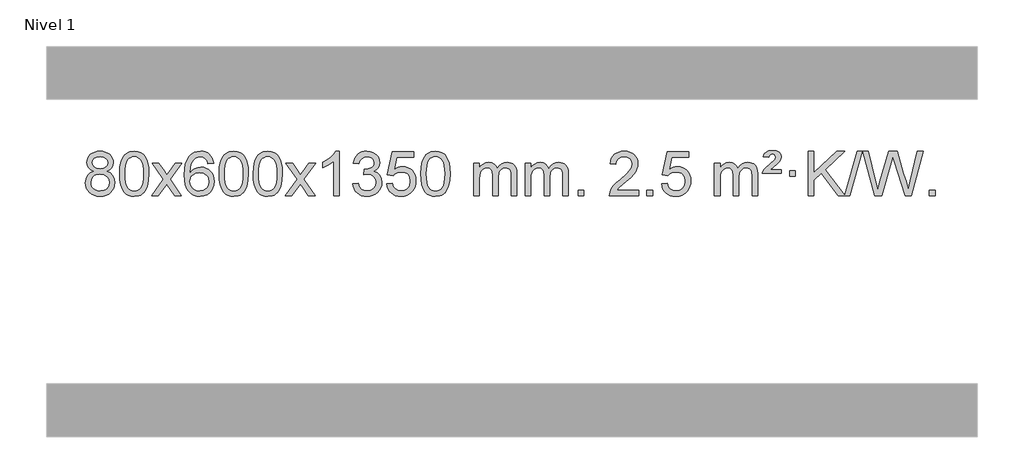
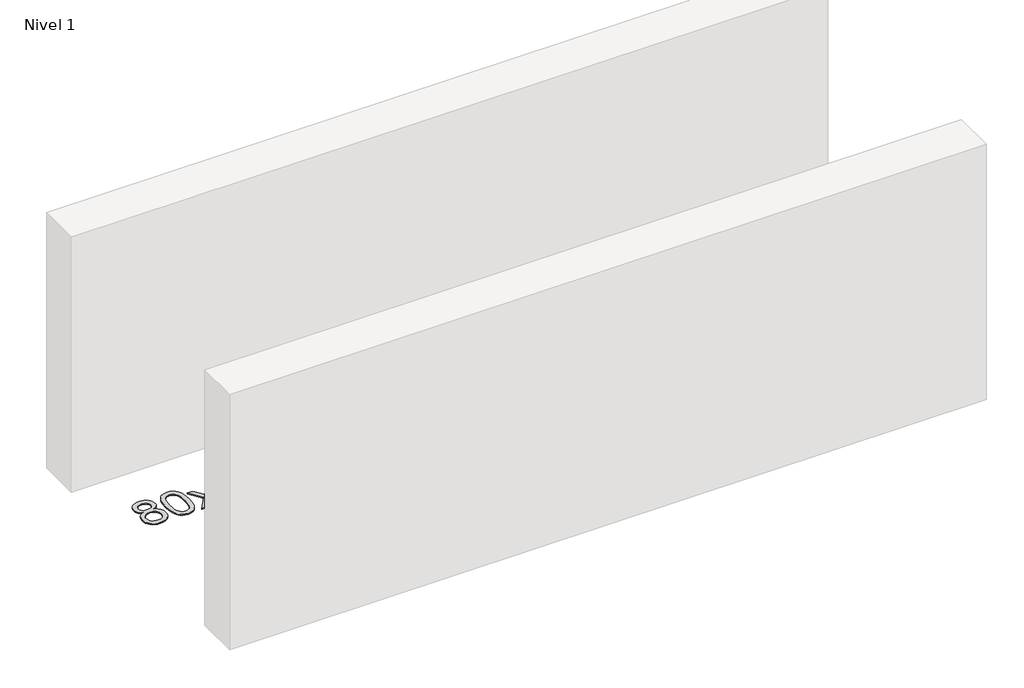
# One storey, part 12 of 15: 1 proxy.
"""IFC4 building model written with IfcOpenShell, lengths in millimetres."""

from ifc_helpers import new_model, si_unit, origin, origin_with_axes, place, context, project, spatial, polyline, outline, extrude, element, save

model = new_model("IFC4")

# Units and contexts
model_context = context("Model", 3, world=origin())
ifc_project = project(units=[si_unit("LENGTHUNIT", "METRE", prefix="MILLI")], contexts=[model_context])

# Site, building, storey
site = spatial("IfcSite", under=ifc_project)
building = spatial("IfcBuilding", under=site)
storey = spatial("IfcBuildingStorey", under=building, Name="Nivel 1", Elevation=0.0)

# Proxy
placement = place(None, origin())
element("IfcBuildingElementProxy", 1, Name="Texto de modelo 1", ObjectType="Texto de modelo 1", at=placement, inside=storey, context=model_context, shape_type="SweptSolid", body=[
    extrude(outline(polyline([(-25752.9663894, 2810.7383553), (-25779.8585632, 2823.9821071), (-25798.7309096, 2841.9347485), (-25809.877734, 2864.2283974), (-25813.5933422, 2890.4951719), (-25811.5699912, 2910.9800676), (-25805.4999383, 2929.7604435), (-25795.3831834, 2946.8362994), (-25781.2197266, 2962.2076355), (-25763.6901495, 2974.911827), (-25743.4750339, 2983.9862496), (-25720.5743797, 2989.4309031), (-25694.9881869, 2991.2457876), (-25669.2793668, 2989.3879835), (-25646.2070344, 2983.8145713), (-25625.7711895, 2974.5255509), (-25607.9718323, 2961.5209224), (-25593.5508581, 2945.8491494), (-25583.2501622, 2928.5586956), (-25577.0697447, 2909.6495611), (-25575.0096056, 2889.1217457), (-25578.6761628, 2863.7010999), (-25589.6758344, 2841.7875957), (-25608.1312479, 2823.9453189), (-25634.1650304, 2810.7383553), (-25603.2506801, 2794.8090649), (-25580.7485647, 2771.3504564), (-25567.0265663, 2741.4907011), (-25562.4525668, 2706.3579705), (-25564.7211724, 2681.3052067), (-25571.5269893, 2658.3371074), (-25582.8700175, 2637.4536728), (-25598.750257, 2618.6549029), (-25618.3338419, 2603.11802), (-25640.7869063, 2592.0202464), (-25666.1094503, 2585.3615823), (-25694.3014739, 2583.1420276), (-25722.4934974, 2585.3707794), (-25747.8160414, 2592.0570346), (-25770.2691059, 2603.2007934), (-25789.8526907, 2618.8020557), (-25805.7329302, 2637.73265), (-25817.0759584, 2658.864405), (-25823.8817753, 2682.1973205), (-25826.1503809, 2707.7313967), (-25821.3924405, 2744.2252906), (-25807.118619, 2774.2444614), (-25784.0646807, 2796.7588395), (-25752.9663894, 2810.7383553)]), holes=[polyline([(-25763.3651871, 2889.0236439), (-25758.9138149, 2867.097877), (-25745.5596985, 2849.586694), (-25723.6952453, 2838.1087757), (-25693.7128627, 2834.282803), (-25664.4294559, 2838.0842503), (-25642.8960964, 2849.4885921), (-25629.6523446, 2866.4111639), (-25625.2377606, 2886.767301), (-25629.7994974, 2907.8959902), (-25643.4847076, 2925.370385), (-25665.3123726, 2937.1058206), (-25694.3014739, 2941.0176325), (-25723.4745161, 2937.1916598), (-25745.2653929, 2925.7137415), (-25758.8402385, 2908.8892716), (-25763.3651871, 2889.0236439)]), polyline([(-25775.9222259, 2709.4972302), (-25773.8252985, 2690.2815274), (-25767.5345164, 2671.6789611), (-25755.9217081, 2655.4553651), (-25737.8587021, 2643.376573), (-25716.2272408, 2635.8717803), (-25693.9090664, 2633.3701827), (-25659.7205663, 2638.6308952), (-25645.8268896, 2645.2067859), (-25634.0669285, 2654.4130328), (-25618.0272735, 2678.3130998), (-25612.6807219, 2707.9276004), (-25618.1989518, 2738.0448731), (-25634.7536416, 2762.4722375), (-25646.8324337, 2771.9145421), (-25660.9958906, 2778.6590453), (-25695.5767981, 2784.0546479), (-25729.2870516, 2778.7326217), (-25743.0243784, 2772.080089), (-25754.683172, 2762.7665431), (-25770.6124624, 2738.8051625), (-25775.9222259, 2709.4972302)])]), origin_with_axes(), (0.0, 0.0, 1.0), 10.0),
    extrude(outline(polyline([(-25518.5029311, 2787.0958057), (-25514.8118484, 2851.4138412), (-25503.7386004, 2902.7088541), (-25485.3935515, 2941.7656593), (-25473.5354886, 2956.9990395), (-25459.8870665, 2969.3690716), (-25444.4023002, 2978.9401349), (-25427.0352044, 2985.7766086), (-25386.654024, 2991.2457876), (-25355.7028855, 2988.008426), (-25327.9891085, 2978.2963414), (-25304.8125428, 2962.4896783), (-25287.4730381, 2940.9685816), (-25274.3764391, 2913.9169922), (-25263.9285904, 2881.5188512), (-25257.0859853, 2840.3773814), (-25254.805117, 2787.0958057), (-25258.4594114, 2723.1456523), (-25269.4222949, 2671.9732667), (-25287.6569791, 2632.8796734), (-25299.487451, 2617.6003078), (-25313.1266759, 2605.1658964), (-25328.6298363, 2595.5304538), (-25346.0521145, 2588.6479948), (-25386.654024, 2583.1420276), (-25414.3187501, 2585.5332606), (-25438.8442164, 2592.7069595), (-25460.2304231, 2604.6631243), (-25478.47737, 2621.4017551), (-25495.988553, 2651.6600492), (-25508.4965408, 2689.3618224), (-25516.0013335, 2734.5070745), (-25518.5029311, 2787.0958057)]), holes=[polyline([(-25468.274776, 2787.1939076), (-25466.803248, 2743.5293805), (-25462.3886641, 2708.1851178), (-25455.0310242, 2681.1611196), (-25444.7303283, 2662.4573858), (-25432.2713914, 2649.7317344), (-25418.4390284, 2640.6419835), (-25403.2332393, 2635.1881329), (-25386.654024, 2633.3701827), (-25370.0748088, 2635.1942643), (-25354.8690196, 2640.6665089), (-25341.0366566, 2649.7869167), (-25328.5777197, 2662.5554876), (-25318.2770239, 2681.2898783), (-25310.919384, 2708.3077451), (-25306.5048, 2743.6090882), (-25305.033272, 2787.1939076), (-25306.4557491, 2829.7026722), (-25310.7231802, 2864.4246011), (-25317.8355655, 2891.3596945), (-25327.7929048, 2910.5079524), (-25340.0433752, 2923.8559375), (-25354.0351538, 2933.3902125), (-25369.7682404, 2939.1107775), (-25387.2426352, 2941.0176325), (-25403.7360113, 2939.3376381), (-25418.6842831, 2934.2976548), (-25432.0874504, 2925.8976825), (-25443.9455134, 2914.1377214), (-25454.5895658, 2893.291075), (-25462.1924604, 2865.1848906), (-25466.7541971, 2829.8191681), (-25468.274776, 2787.1939076)])]), origin_with_axes(), (0.0, 0.0, 1.0), 10.0),
    extrude(outline(polyline([(-25229.6910394, 2589.420547), (-25122.3675987, 2737.7505675), (-25223.41252, 2884.5109581), (-25162.981771, 2884.5109581), (-25114.2251439, 2813.877615), (-25091.4655111, 2780.5229808), (-25071.7470362, 2807.7952993), (-25016.2213804, 2884.5109581), (-24955.7906313, 2884.5109581), (-25061.9368496, 2737.7505675), (-24959.7147059, 2589.420547), (-25020.145455, 2589.420547), (-25081.6553246, 2678.5951426), (-25092.9370391, 2694.8800523), (-25169.2602903, 2589.420547), (-25229.6910394, 2589.420547)])), origin_with_axes(), (0.0, 0.0, 1.0), 10.0),
    extrude(outline(polyline([(-24670.9028142, 2884.5109581), (-24721.1309693, 2878.2324387), (-24729.2243732, 2903.125787), (-24740.1627312, 2920.1219352), (-24762.9468894, 2935.7937082), (-24790.4889881, 2941.0176325), (-24813.8372321, 2937.9764747), (-24835.8120499, 2928.8530012), (-24854.6843963, 2909.6372983), (-24870.0986519, 2883.1865829), (-24880.5097123, 2845.772984), (-24884.3724733, 2793.6686307), (-24864.2248027, 2817.1762902), (-24840.0794811, 2833.7432427), (-24813.2854091, 2843.565692), (-24785.1914874, 2846.8398418), (-24761.0584285, 2844.601893), (-24738.7893051, 2837.8880466), (-24718.3841171, 2826.6983025), (-24699.8428645, 2811.0326609), (-24684.4347403, 2791.8230894), (-24673.4289372, 2770.0015557), (-24666.8254554, 2745.5680599), (-24664.6242948, 2718.5226018), (-24668.7690986, 2682.5560055), (-24681.2035101, 2649.213634), (-24700.8974596, 2620.9357713), (-24726.8208775, 2600.1627013), (-24757.7965415, 2587.397196), (-24792.6472291, 2583.1420276), (-24822.5897579, 2585.9624563), (-24849.6321502, 2594.4237421), (-24873.7744061, 2608.5258853), (-24895.0165257, 2628.2688857), (-24912.3345706, 2654.4866092), (-24924.7046027, 2688.0129217), (-24932.1266219, 2728.8478232), (-24934.6006284, 2776.9913136), (-24931.8537761, 2830.9657337), (-24923.6132194, 2877.0306908), (-24909.8789583, 2915.1861851), (-24890.6509927, 2945.4322165), (-24869.8104776, 2965.4756538), (-24845.6467619, 2979.7923948), (-24818.1598455, 2988.3824394), (-24787.3497284, 2991.2457876), (-24764.2160823, 2989.4738227), (-24743.2774654, 2984.1579278), (-24724.5338777, 2975.2981031), (-24707.9853193, 2962.8943485), (-24694.0793799, 2947.3635969), (-24683.2636492, 2929.1227814), (-24675.5381274, 2908.1719017), (-24670.9028142, 2884.5109581)]), holes=[polyline([(-24884.3724733, 2719.3074168), (-24881.4662055, 2697.0505561), (-24872.7474022, 2675.7992395), (-24859.2093448, 2657.527767), (-24841.8453146, 2644.2104388), (-24820.8883036, 2636.0802467), (-24796.5713038, 2633.3701827), (-24763.425136, 2638.9865145), (-24749.5099995, 2646.0069292), (-24737.366828, 2655.8355099), (-24727.5167876, 2668.0737176), (-24720.4810444, 2682.3230135), (-24714.8524499, 2716.8548701), (-24720.407468, 2750.0010379), (-24727.3512407, 2763.6218688), (-24737.0725224, 2775.274531), (-24749.2524821, 2784.6095366), (-24763.5722888, 2791.2773978), (-24798.6314429, 2796.6116867), (-24831.7285598, 2791.2773978), (-24859.4055485, 2775.274531), (-24870.3285781, 2763.7751529), (-24878.1307421, 2750.6141746), (-24882.8120405, 2735.7915958), (-24884.3724733, 2719.3074168)])]), origin_with_axes(), (0.0, 0.0, 1.0), 10.0),
    extrude(outline(polyline([(-24620.6746591, 2787.0958057), (-24616.9835765, 2851.4138412), (-24605.9103284, 2902.7088541), (-24587.5652796, 2941.7656593), (-24575.7072166, 2956.9990395), (-24562.0587946, 2969.3690716), (-24546.5740283, 2978.9401349), (-24529.2069324, 2985.7766086), (-24488.8257521, 2991.2457876), (-24457.8746135, 2988.008426), (-24430.1608366, 2978.2963414), (-24406.9842709, 2962.4896783), (-24389.6447662, 2940.9685816), (-24376.5481671, 2913.9169922), (-24366.1003185, 2881.5188512), (-24359.2577134, 2840.3773814), (-24356.976845, 2787.0958057), (-24360.6311395, 2723.1456523), (-24371.5940229, 2671.9732667), (-24389.8287072, 2632.8796734), (-24401.659179, 2617.6003078), (-24415.298404, 2605.1658964), (-24430.8015644, 2595.5304538), (-24448.2238425, 2588.6479948), (-24488.8257521, 2583.1420276), (-24516.4904781, 2585.5332606), (-24541.0159444, 2592.7069595), (-24562.4021511, 2604.6631243), (-24580.6490981, 2621.4017551), (-24598.160281, 2651.6600492), (-24610.6682689, 2689.3618224), (-24618.1730616, 2734.5070745), (-24620.6746591, 2787.0958057)]), holes=[polyline([(-24570.4465041, 2787.1939076), (-24568.9749761, 2743.5293805), (-24564.5603921, 2708.1851178), (-24557.2027522, 2681.1611196), (-24546.9020564, 2662.4573858), (-24534.4431195, 2649.7317344), (-24520.6107564, 2640.6419835), (-24505.4049673, 2635.1881329), (-24488.8257521, 2633.3701827), (-24472.2465368, 2635.1942643), (-24457.0407477, 2640.6665089), (-24443.2083847, 2649.7869167), (-24430.7494478, 2662.5554876), (-24420.4487519, 2681.2898783), (-24413.091112, 2708.3077451), (-24408.676528, 2743.6090882), (-24407.2050001, 2787.1939076), (-24408.6274771, 2829.7026722), (-24412.8949083, 2864.4246011), (-24420.0072935, 2891.3596945), (-24429.9646328, 2910.5079524), (-24442.2151033, 2923.8559375), (-24456.2068818, 2933.3902125), (-24471.9399685, 2939.1107775), (-24489.4143633, 2941.0176325), (-24505.9077394, 2939.3376381), (-24520.8560111, 2934.2976548), (-24534.2591785, 2925.8976825), (-24546.1172414, 2914.1377214), (-24556.7612938, 2893.291075), (-24564.3641884, 2865.1848906), (-24568.9259251, 2829.8191681), (-24570.4465041, 2787.1939076)])]), origin_with_axes(), (0.0, 0.0, 1.0), 10.0),
    extrude(outline(polyline([(-24313.0272093, 2787.0958057), (-24309.3361266, 2851.4138412), (-24298.2628786, 2902.7088541), (-24279.9178297, 2941.7656593), (-24268.0597668, 2956.9990395), (-24254.4113447, 2969.3690716), (-24238.9265784, 2978.9401349), (-24221.5594826, 2985.7766086), (-24181.1783022, 2991.2457876), (-24150.2271637, 2988.008426), (-24122.5133867, 2978.2963414), (-24099.336821, 2962.4896783), (-24081.9973163, 2940.9685816), (-24068.9007173, 2913.9169922), (-24058.4528686, 2881.5188512), (-24051.6102635, 2840.3773814), (-24049.3293952, 2787.0958057), (-24052.9836896, 2723.1456523), (-24063.9465731, 2671.9732667), (-24082.1812573, 2632.8796734), (-24094.0117292, 2617.6003078), (-24107.6509541, 2605.1658964), (-24123.1541145, 2595.5304538), (-24140.5763927, 2588.6479948), (-24181.1783022, 2583.1420276), (-24208.8430283, 2585.5332606), (-24233.3684946, 2592.7069595), (-24254.7547013, 2604.6631243), (-24273.0016482, 2621.4017551), (-24290.5128312, 2651.6600492), (-24303.020819, 2689.3618224), (-24310.5256117, 2734.5070745), (-24313.0272093, 2787.0958057)]), holes=[polyline([(-24262.7990542, 2787.1939076), (-24261.3275262, 2743.5293805), (-24256.9129423, 2708.1851178), (-24249.5553024, 2681.1611196), (-24239.2546065, 2662.4573858), (-24226.7956696, 2649.7317344), (-24212.9633066, 2640.6419835), (-24197.7575175, 2635.1881329), (-24181.1783022, 2633.3701827), (-24164.599087, 2635.1942643), (-24149.3932978, 2640.6665089), (-24135.5609348, 2649.7869167), (-24123.1019979, 2662.5554876), (-24112.8013021, 2681.2898783), (-24105.4436622, 2708.3077451), (-24101.0290782, 2743.6090882), (-24099.5575502, 2787.1939076), (-24100.9800273, 2829.7026722), (-24105.2474584, 2864.4246011), (-24112.3598437, 2891.3596945), (-24122.317183, 2910.5079524), (-24134.5676534, 2923.8559375), (-24148.559432, 2933.3902125), (-24164.2925187, 2939.1107775), (-24181.7669134, 2941.0176325), (-24198.2602895, 2939.3376381), (-24213.2085613, 2934.2976548), (-24226.6117286, 2925.8976825), (-24238.4697916, 2914.1377214), (-24249.113844, 2893.291075), (-24256.7167386, 2865.1848906), (-24261.2784753, 2829.8191681), (-24262.7990542, 2787.1939076)])]), origin_with_axes(), (0.0, 0.0, 1.0), 10.0),
    extrude(outline(polyline([(-24024.2153176, 2589.420547), (-23916.8918769, 2737.7505675), (-24017.9367982, 2884.5109581), (-23957.5060492, 2884.5109581), (-23908.7494221, 2813.877615), (-23885.9897893, 2780.5229808), (-23866.2713144, 2807.7952993), (-23810.7456586, 2884.5109581), (-23750.3149095, 2884.5109581), (-23856.4611278, 2737.7505675), (-23754.2389841, 2589.420547), (-23814.6697332, 2589.420547), (-23876.1796028, 2678.5951426), (-23887.4613173, 2694.8800523), (-23963.7845685, 2589.420547), (-24024.2153176, 2589.420547)])), origin_with_axes(), (0.0, 0.0, 1.0), 10.0),
    extrude(outline(polyline([(-23534.4908056, 2589.420547), (-23584.7189607, 2589.420547), (-23584.7189607, 2902.5617013), (-23605.6882344, 2885.6023413), (-23632.2983654, 2868.6675068), (-23685.1752709, 2843.3081746), (-23685.1752709, 2890.7894775), (-23645.7260583, 2912.2492605), (-23611.5498209, 2937.780271), (-23584.6085961, 2964.9299622), (-23566.8644212, 2991.2457876), (-23534.4908056, 2991.2457876), (-23534.4908056, 2589.420547)])), origin_with_axes(), (0.0, 0.0, 1.0), 10.0),
    extrude(outline(polyline([(-23415.1989373, 2696.1553765), (-23364.9707823, 2702.4338959), (-23353.7258559, 2670.8696207), (-23337.2570053, 2649.5569905), (-23314.7548899, 2637.4168846), (-23285.4101694, 2633.3701827), (-23250.9764147, 2638.9374636), (-23236.7025933, 2645.8965646), (-23224.3908092, 2655.6393061), (-23207.394661, 2680.5571799), (-23201.7292783, 2710.7725545), (-23207.3456101, 2739.4550874), (-23224.1946054, 2762.7174922), (-23249.7010904, 2778.1317478), (-23281.2898911, 2783.269833), (-23316.5084608, 2777.7761285), (-23310.9166544, 2828.0042836), (-23302.8723015, 2827.4156724), (-23272.7795543, 2831.020916), (-23245.8751177, 2841.8366466), (-23234.8018696, 2850.0158897), (-23226.8924067, 2860.1326445), (-23222.146729, 2872.1869112), (-23220.5648364, 2886.1786898), (-23225.1510986, 2907.8714648), (-23238.9098853, 2925.4684869), (-23259.9036844, 2937.1303461), (-23286.1949844, 2941.0176325), (-23312.5353352, 2937.0935579), (-23334.0686947, 2925.3213341), (-23349.7895186, 2905.700961), (-23358.6922629, 2878.2324387), (-23408.920418, 2884.5109581), (-23402.966861, 2908.4907328), (-23394.1315618, 2929.6132907), (-23382.4145202, 2947.8786317), (-23367.8157364, 2963.286756), (-23350.7950627, 2975.5188323), (-23331.8123518, 2984.2560297), (-23310.8676035, 2989.4983481), (-23287.9608179, 2991.2457876), (-23256.38428, 2987.7999596), (-23227.3829161, 2977.4624755), (-23202.9310261, 2961.1530404), (-23185.0029102, 2939.7913592), (-23174.0032386, 2915.1800537), (-23170.3366814, 2889.1217457), (-23173.8192976, 2864.8415341), (-23184.2671462, 2842.8176653), (-23201.5330745, 2824.0556835), (-23225.4699297, 2809.5611329), (-23194.0282818, 2796.8569414), (-23170.7290888, 2775.22548), (-23156.3081146, 2745.8439714), (-23151.5011232, 2709.8896377), (-23153.9046189, 2684.4076782), (-23161.115106, 2660.9368069), (-23173.1325845, 2639.4770238), (-23189.9570544, 2620.028329), (-23210.4542129, 2603.8905722), (-23233.4897572, 2592.363603), (-23259.0636872, 2585.4474215), (-23287.176003, 2583.1420276), (-23312.5843862, 2585.1101963), (-23335.7364264, 2591.0147023), (-23356.6321237, 2600.8555457), (-23375.2714781, 2614.6327264), (-23390.9003316, 2631.5369041), (-23402.7645259, 2650.7587383), (-23410.8640612, 2672.2982292), (-23415.1989373, 2696.1553765)])), origin_with_axes(), (0.0, 0.0, 1.0), 10.0),
    extrude(outline(polyline([(-23107.5514875, 2696.1553765), (-23057.3233324, 2702.4338959), (-23048.1017571, 2672.2798351), (-23032.0130512, 2650.6851619), (-23009.1307911, 2637.6989275), (-22979.5285532, 2633.3701827), (-22960.3986894, 2634.8754332), (-22943.5251686, 2639.3911847), (-22928.9079907, 2646.9174372), (-22916.5471556, 2657.4541906), (-22906.718575, 2670.480279), (-22899.6981602, 2685.4745359), (-22894.0818284, 2721.3675559), (-22899.342541, 2755.1636486), (-22905.9184316, 2769.0818507), (-22915.1246786, 2781.0134901), (-22926.9919386, 2790.5845533), (-22941.5508686, 2797.4210271), (-22978.7437383, 2802.8902061), (-23003.1097891, 2800.7074396), (-23022.8405268, 2794.1591401), (-23038.5981389, 2784.1282243), (-23051.044813, 2771.4976092), (-23101.2729681, 2777.7761285), (-23057.3233324, 2984.9672682), (-22862.6892315, 2984.9672682), (-22862.6892315, 2934.7391131), (-23016.7091602, 2934.7391131), (-23038.1934687, 2824.080209), (-23020.4676879, 2836.7844006), (-23002.3127114, 2845.8588231), (-22983.7285393, 2851.3034766), (-22964.7151715, 2853.1183612), (-22940.2540845, 2850.8681496), (-22917.7856917, 2844.117515), (-22897.3099929, 2832.8664573), (-22878.8269884, 2817.1149766), (-22863.5261631, 2797.8256973), (-22852.5970021, 2775.961244), (-22846.0395056, 2751.5216168), (-22843.8536734, 2724.5068156), (-22845.821842, 2698.4852958), (-22851.7263481, 2674.2786606), (-22861.5671914, 2651.8869098), (-22875.3443722, 2631.3100435), (-22896.215544, 2610.2365366), (-22920.5693321, 2595.1840316), (-22948.4057364, 2586.1525286), (-22979.7247569, 2583.1420276), (-23005.6451092, 2585.0764738), (-23029.0577325, 2590.8798123), (-23049.9626268, 2600.552043), (-23068.3597923, 2614.0931662), (-23083.666749, 2630.8287312), (-23095.3010171, 2650.084288), (-23103.2625966, 2671.8598364), (-23107.5514875, 2696.1553765)])), origin_with_axes(), (0.0, 0.0, 1.0), 10.0),
    extrude(outline(polyline([(-22799.9040377, 2787.0958057), (-22796.212955, 2851.4138412), (-22785.1397069, 2902.7088541), (-22766.7946581, 2941.7656593), (-22754.9365951, 2956.9990395), (-22741.2881731, 2969.3690716), (-22725.8034068, 2978.9401349), (-22708.4363109, 2985.7766086), (-22668.0551306, 2991.2457876), (-22637.1039921, 2988.008426), (-22609.3902151, 2978.2963414), (-22586.2136494, 2962.4896783), (-22568.8741447, 2940.9685816), (-22555.7775457, 2913.9169922), (-22545.329697, 2881.5188512), (-22538.4870919, 2840.3773814), (-22536.2062235, 2787.0958057), (-22539.860518, 2723.1456523), (-22550.8234015, 2671.9732667), (-22569.0580857, 2632.8796734), (-22580.8885575, 2617.6003078), (-22594.5277825, 2605.1658964), (-22610.0309429, 2595.5304538), (-22627.4532211, 2588.6479948), (-22668.0551306, 2583.1420276), (-22695.7198566, 2585.5332606), (-22720.245323, 2592.7069595), (-22741.6315296, 2604.6631243), (-22759.8784766, 2621.4017551), (-22777.3896596, 2651.6600492), (-22789.8976474, 2689.3618224), (-22797.4024401, 2734.5070745), (-22799.9040377, 2787.0958057)]), holes=[polyline([(-22749.6758826, 2787.1939076), (-22748.2043546, 2743.5293805), (-22743.7897707, 2708.1851178), (-22736.4321308, 2681.1611196), (-22726.1314349, 2662.4573858), (-22713.672498, 2649.7317344), (-22699.840135, 2640.6419835), (-22684.6343459, 2635.1881329), (-22668.0551306, 2633.3701827), (-22651.4759154, 2635.1942643), (-22636.2701262, 2640.6665089), (-22622.4377632, 2649.7869167), (-22609.9788263, 2662.5554876), (-22599.6781304, 2681.2898783), (-22592.3204905, 2708.3077451), (-22587.9059066, 2743.6090882), (-22586.4343786, 2787.1939076), (-22587.8568557, 2829.7026722), (-22592.1242868, 2864.4246011), (-22599.236672, 2891.3596945), (-22609.1940114, 2910.5079524), (-22621.4444818, 2923.8559375), (-22635.4362604, 2933.3902125), (-22651.169347, 2939.1107775), (-22668.6437418, 2941.0176325), (-22685.1371179, 2939.3376381), (-22700.0853897, 2934.2976548), (-22713.488557, 2925.8976825), (-22725.34662, 2914.1377214), (-22735.9906724, 2893.291075), (-22743.5935669, 2865.1848906), (-22748.1553037, 2829.8191681), (-22749.6758826, 2787.1939076)])]), origin_with_axes(), (0.0, 0.0, 1.0), 10.0),
    extrude(outline(polyline([(-22322.7365645, 2589.420547), (-22322.7365645, 2884.5109581), (-22272.5084094, 2884.5109581), (-22272.5084094, 2835.9505347), (-22257.4007221, 2858.2564463), (-22237.9765528, 2875.7308411), (-22214.8980889, 2887.0248184), (-22188.8275182, 2890.7894775), (-22160.8930121, 2886.951242), (-22138.5012613, 2875.4365355), (-22121.7748932, 2857.0056476), (-22110.8365352, 2832.4188676), (-22092.5282746, 2857.9560094), (-22071.64484, 2876.196825), (-22048.1862315, 2887.1413143), (-22022.1524489, 2890.7894775), (-22002.0446322, 2889.2719642), (-21984.3954935, 2884.7194245), (-21969.2050328, 2877.1318584), (-21956.4732501, 2866.5092658), (-21946.4086118, 2852.7290194), (-21939.2195845, 2835.6684918), (-21934.9061681, 2815.3276832), (-21933.4683626, 2791.7065934), (-21933.4683626, 2589.420547), (-21983.6965177, 2589.420547), (-21983.6965177, 2770.124183), (-21984.8614774, 2795.1769469), (-21988.3563563, 2812.0627305), (-21994.9046558, 2823.6264879), (-22005.2298772, 2832.7131732), (-22018.5104172, 2838.5992851), (-22033.9246728, 2840.5613224), (-22061.1356777, 2835.5336018), (-22083.318962, 2820.45044), (-22091.924335, 2808.8805512), (-22098.07103, 2794.2817674), (-22102.988386, 2755.9975144), (-22102.988386, 2589.420547), (-22153.2165411, 2589.420547), (-22153.2165411, 2775.7159894), (-22156.1228088, 2804.1164794), (-22164.8416121, 2824.3745146), (-22180.1822913, 2836.5146204), (-22202.9541868, 2840.5613224), (-22222.3047798, 2837.8635211), (-22240.1347938, 2829.7701172), (-22254.8500736, 2816.4773144), (-22264.8564639, 2798.1813165), (-22270.595423, 2772.7974589), (-22272.5084094, 2738.2410768), (-22272.5084094, 2589.420547), (-22322.7365645, 2589.420547)])), origin_with_axes(), (0.0, 0.0, 1.0), 10.0),
    extrude(outline(polyline([(-21858.12613, 2589.420547), (-21858.12613, 2884.5109581), (-21807.8979749, 2884.5109581), (-21807.8979749, 2835.9505347), (-21792.7902877, 2858.2564463), (-21773.3661183, 2875.7308411), (-21750.2876545, 2887.0248184), (-21724.2170838, 2890.7894775), (-21696.2825776, 2886.951242), (-21673.8908268, 2875.4365355), (-21657.1644588, 2857.0056476), (-21646.2261008, 2832.4188676), (-21627.9178402, 2857.9560094), (-21607.0344056, 2876.196825), (-21583.575797, 2887.1413143), (-21557.5420145, 2890.7894775), (-21537.4341978, 2889.2719642), (-21519.7850591, 2884.7194245), (-21504.5945983, 2877.1318584), (-21491.8628156, 2866.5092658), (-21481.7981774, 2852.7290194), (-21474.6091501, 2835.6684918), (-21470.2957337, 2815.3276832), (-21468.8579282, 2791.7065934), (-21468.8579282, 2589.420547), (-21519.0860833, 2589.420547), (-21519.0860833, 2770.124183), (-21520.2510429, 2795.1769469), (-21523.7459219, 2812.0627305), (-21530.2942214, 2823.6264879), (-21540.6194427, 2832.7131732), (-21553.8999827, 2838.5992851), (-21569.3142383, 2840.5613224), (-21596.5252433, 2835.5336018), (-21618.7085276, 2820.45044), (-21627.3139006, 2808.8805512), (-21633.4605956, 2794.2817674), (-21638.3779516, 2755.9975144), (-21638.3779516, 2589.420547), (-21688.6061066, 2589.420547), (-21688.6061066, 2775.7159894), (-21691.5123744, 2804.1164794), (-21700.2311777, 2824.3745146), (-21715.5718569, 2836.5146204), (-21738.3437524, 2840.5613224), (-21757.6943453, 2837.8635211), (-21775.5243594, 2829.7701172), (-21790.2396392, 2816.4773144), (-21800.2460294, 2798.1813165), (-21805.9849886, 2772.7974589), (-21807.8979749, 2738.2410768), (-21807.8979749, 2589.420547), (-21858.12613, 2589.420547)])), origin_with_axes(), (0.0, 0.0, 1.0), 10.0),
    extrude(outline(polyline([(-21380.9586568, 2589.420547), (-21380.9586568, 2639.6487021), (-21330.7305017, 2639.6487021), (-21330.7305017, 2589.420547), (-21380.9586568, 2589.420547)])), origin_with_axes(), (0.0, 0.0, 1.0), 10.0),
    extrude(outline(polyline([(-20834.7274704, 2639.6487021), (-20834.7274704, 2589.420547), (-21098.4252845, 2589.420547), (-21097.3216385, 2607.1034082), (-21093.0296819, 2624.0505055), (-21080.6443214, 2651.1143576), (-21062.5200018, 2677.3688693), (-21036.3022783, 2704.8496544), (-20999.6367061, 2735.5923264), (-20945.4354255, 2783.7358169), (-20912.9146571, 2819.2732176), (-20896.6542729, 2848.115166), (-20891.2341448, 2876.1722995), (-20896.3477046, 2901.3231653), (-20911.6883838, 2922.2311253), (-20935.2696197, 2936.3210057), (-20965.1048495, 2941.0176325), (-20996.4361327, 2936.4313703), (-21020.7776581, 2922.6725837), (-21036.4862193, 2900.8203932), (-21041.9186101, 2871.9539193), (-21092.1467651, 2878.2324387), (-21087.8272174, 2904.161988), (-21079.9698711, 2926.8173875), (-21068.5747263, 2946.1986373), (-21053.641783, 2962.3057373), (-21035.5143977, 2974.9670093), (-21014.5359269, 2984.010775), (-20990.7063706, 2989.4370345), (-20964.0257289, 2991.2457876), (-20937.1059639, 2989.2346994), (-20913.147649, 2983.2014346), (-20892.1507841, 2973.1459934), (-20874.1153693, 2959.0683758), (-20859.6300158, 2942.0109139), (-20849.2833346, 2923.0159402), (-20843.075326, 2902.0834547), (-20841.0059898, 2879.2134573), (-20843.2378072, 2855.1907631), (-20849.9332595, 2831.5850017), (-20861.815848, 2807.5745701), (-20879.6090738, 2782.3378653), (-20907.9727756, 2752.2083299), (-20951.566792, 2713.5194067), (-21009.3487908, 2665.204238), (-21032.0103217, 2639.6487021), (-20834.7274704, 2639.6487021)])), origin_with_axes(), (0.0, 0.0, 1.0), 10.0),
    extrude(outline(polyline([(-20759.3852378, 2589.420547), (-20759.3852378, 2639.6487021), (-20709.1570827, 2639.6487021), (-20709.1570827, 2589.420547), (-20759.3852378, 2589.420547)])), origin_with_axes(), (0.0, 0.0, 1.0), 10.0),
    extrude(outline(polyline([(-20627.5363307, 2696.1553765), (-20577.3081756, 2702.4338959), (-20568.0866003, 2672.2798351), (-20551.9978943, 2650.6851619), (-20529.1156342, 2637.6989275), (-20499.5133964, 2633.3701827), (-20480.3835326, 2634.8754332), (-20463.5100118, 2639.3911847), (-20448.8928338, 2646.9174372), (-20436.5319988, 2657.4541906), (-20426.7034182, 2670.480279), (-20419.6830034, 2685.4745359), (-20414.0666716, 2721.3675559), (-20419.3273842, 2755.1636486), (-20425.9032748, 2769.0818507), (-20435.1095217, 2781.0134901), (-20446.9767818, 2790.5845533), (-20461.5357117, 2797.4210271), (-20498.7285814, 2802.8902061), (-20523.0946323, 2800.7074396), (-20542.8253699, 2794.1591401), (-20558.5829821, 2784.1282243), (-20571.0296562, 2771.4976092), (-20621.2578113, 2777.7761285), (-20577.3081756, 2984.9672682), (-20382.6740747, 2984.9672682), (-20382.6740747, 2934.7391131), (-20536.6940033, 2934.7391131), (-20558.1783119, 2824.080209), (-20540.4525311, 2836.7844006), (-20522.2975546, 2845.8588231), (-20503.7133825, 2851.3034766), (-20484.7000147, 2853.1183612), (-20460.2389277, 2850.8681496), (-20437.7705348, 2844.117515), (-20417.2948361, 2832.8664573), (-20398.8118316, 2817.1149766), (-20383.5110062, 2797.8256973), (-20372.5818453, 2775.961244), (-20366.0243487, 2751.5216168), (-20363.8385165, 2724.5068156), (-20365.8066852, 2698.4852958), (-20371.7111912, 2674.2786606), (-20381.5520346, 2651.8869098), (-20395.3292153, 2631.3100435), (-20416.2003872, 2610.2365366), (-20440.5541753, 2595.1840316), (-20468.3905796, 2586.1525286), (-20499.7096001, 2583.1420276), (-20525.6299523, 2585.0764738), (-20549.0425757, 2590.8798123), (-20569.94747, 2600.552043), (-20588.3446355, 2614.0931662), (-20603.6515922, 2630.8287312), (-20615.2858603, 2650.084288), (-20623.2474398, 2671.8598364), (-20627.5363307, 2696.1553765)])), origin_with_axes(), (0.0, 0.0, 1.0), 10.0),
    extrude(outline(polyline([(-20150.3688575, 2589.420547), (-20150.3688575, 2884.5109581), (-20100.1407024, 2884.5109581), (-20100.1407024, 2835.9505347), (-20085.0330151, 2858.2564463), (-20065.6088458, 2875.7308411), (-20042.530382, 2887.0248184), (-20016.4598112, 2890.7894775), (-19988.5253051, 2886.951242), (-19966.1335543, 2875.4365355), (-19949.4071862, 2857.0056476), (-19938.4688283, 2832.4188676), (-19920.1605676, 2857.9560094), (-19899.277133, 2876.196825), (-19875.8185245, 2887.1413143), (-19849.784742, 2890.7894775), (-19829.6769252, 2889.2719642), (-19812.0277865, 2884.7194245), (-19796.8373258, 2877.1318584), (-19784.1055431, 2866.5092658), (-19774.0409048, 2852.7290194), (-19766.8518775, 2835.6684918), (-19762.5384611, 2815.3276832), (-19761.1006556, 2791.7065934), (-19761.1006556, 2589.420547), (-19811.3288107, 2589.420547), (-19811.3288107, 2770.124183), (-19812.4937704, 2795.1769469), (-19815.9886493, 2812.0627305), (-19822.5369488, 2823.6264879), (-19832.8621702, 2832.7131732), (-19846.1427102, 2838.5992851), (-19861.5569658, 2840.5613224), (-19888.7679707, 2835.5336018), (-19910.951255, 2820.45044), (-19919.556628, 2808.8805512), (-19925.703323, 2794.2817674), (-19930.620679, 2755.9975144), (-19930.620679, 2589.420547), (-19980.8488341, 2589.420547), (-19980.8488341, 2775.7159894), (-19983.7551019, 2804.1164794), (-19992.4739051, 2824.3745146), (-20007.8145843, 2836.5146204), (-20030.5864798, 2840.5613224), (-20049.9370728, 2837.8635211), (-20067.7670868, 2829.7701172), (-20082.4823666, 2816.4773144), (-20092.4887569, 2798.1813165), (-20098.227716, 2772.7974589), (-20100.1407024, 2738.2410768), (-20100.1407024, 2589.420547), (-20150.3688575, 2589.420547)])), origin_with_axes(), (0.0, 0.0, 1.0), 10.0),
    extrude(outline(polyline([(-19717.15102, 2790.3331673), (-19713.3250472, 2806.1520931), (-19704.9863887, 2822.0200698), (-19683.4775547, 2847.1586728), (-19651.520872, 2874.8969753), (-19607.3750326, 2912.273786), (-19600.2381219, 2923.8007552), (-19597.8591517, 2935.6220299), (-19599.7476126, 2947.7130848), (-19605.4129953, 2957.4987459), (-19614.7817234, 2963.973469), (-19627.7802206, 2966.1317101), (-19640.214632, 2964.5130293), (-19649.0683254, 2959.656987), (-19655.4939976, 2950.1901569), (-19660.6443455, 2934.7391131), (-19710.8725006, 2941.0176325), (-19700.0322444, 2966.2298119), (-19683.4039783, 2983.7900458), (-19659.6388014, 2994.0907417), (-19627.3878131, 2997.524307), (-19591.6051577, 2993.3917659), (-19566.8589622, 2980.9941427), (-19552.437988, 2962.6613566), (-19547.6309966, 2940.7233269), (-19551.7267495, 2917.8165414), (-19564.0140081, 2896.1850801), (-19584.5418234, 2876.3685032), (-19621.0111919, 2848.3113697), (-19646.6157788, 2821.7257642), (-19547.6309966, 2821.7257642), (-19547.6309966, 2790.3331673), (-19717.15102, 2790.3331673)])), origin_with_axes(), (0.0, 0.0, 1.0), 10.0),
    extrude(outline(polyline([(-19472.288764, 2765.2190898), (-19472.288764, 2815.4472448), (-19422.0606089, 2815.4472448), (-19422.0606089, 2765.2190898), (-19472.288764, 2765.2190898)])), origin_with_axes(), (0.0, 0.0, 1.0), 10.0),
    extrude(outline(polyline([(-19031.4189809, 2589.420547), (-19184.8502984, 2792.0990009), (-19252.5405855, 2727.5479735), (-19252.5405855, 2589.420547), (-19302.7687406, 2589.420547), (-19302.7687406, 2991.2457876), (-19252.5405855, 2991.2457876), (-19252.5405855, 2794.5515475), (-19046.5266682, 2991.2457876), (-18976.2857326, 2991.2457876), (-19149.2393213, 2826.0422463), (-18974.5857114, 2595.4650668), (-18863.2723837, 2991.2457876), (-18817.9493219, 2991.2457876), (-18930.9626708, 2589.420547), (-18970.0072132, 2589.420547), (-18976.2857326, 2589.420547), (-19031.4189809, 2589.420547)])), origin_with_axes(), (0.0, 0.0, 1.0), 10.0),
    extrude(outline(polyline([(-18703.464445, 2589.420547), (-18813.0442286, 2991.2457876), (-18761.2464437, 2991.2457876), (-18697.6764349, 2727.155566), (-18678.0560618, 2645.6329159), (-18657.0622627, 2717.7377869), (-18577.403548, 2991.2457876), (-18502.7480284, 2991.2457876), (-18444.8679278, 2792.9819177), (-18420.0726814, 2719.4055186), (-18401.8012089, 2645.6329159), (-18382.7694471, 2724.8011212), (-18318.6108271, 2991.2457876), (-18266.8130422, 2991.2457876), (-18376.4909277, 2589.420547), (-18430.152648, 2589.420547), (-18526.4886798, 2899.4224416), (-18539.9286354, 2942.6853642), (-18555.0363227, 2890.5932737), (-18642.8374922, 2589.420547), (-18703.464445, 2589.420547)])), origin_with_axes(), (0.0, 0.0, 1.0), 10.0),
    extrude(outline(polyline([(-18210.3063677, 2589.420547), (-18210.3063677, 2639.6487021), (-18160.0782126, 2639.6487021), (-18160.0782126, 2589.420547), (-18210.3063677, 2589.420547)])), origin_with_axes(), (0.0, 0.0, 1.0), 10.0),
])

save(model, "model.ifc")
